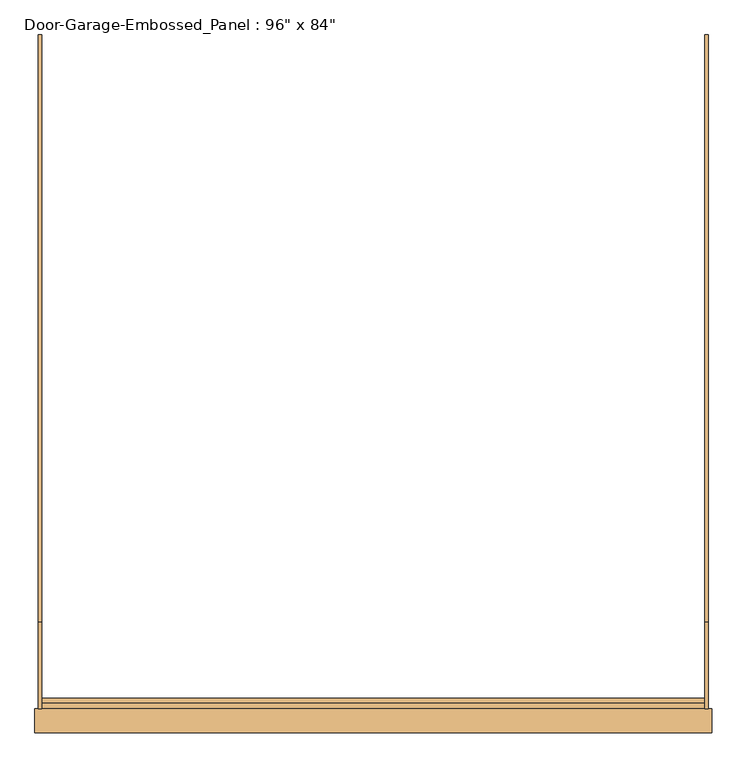
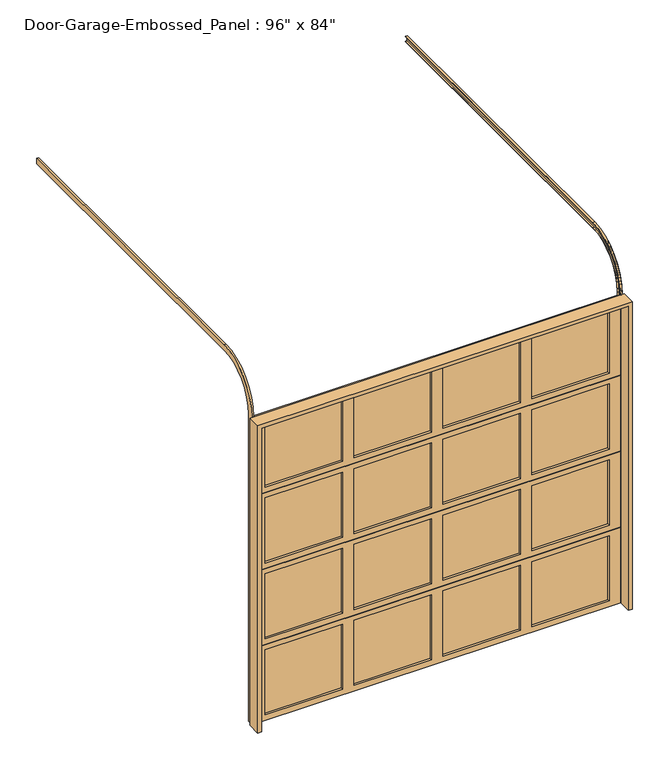
"""IFC4 building model written with IfcOpenShell, lengths in millimetres: door geometry."""

from ifc_helpers import new_model, si_unit, frame, origin, place, context, project, spatial, polyline, circle_curve, outline, extrude, faceted_brep, source, transform, mapped, element, save
from ifc_brep_helpers import plane_surface, cylinder_surface, revolved_surface, advanced_brep


def door_7cd6fed1(model_context):
    return source(origin(), model_context, "Body", "SolidModel", [
        extrude(outline(polyline([(552.45, 63.5), (38.1, 63.5), (38.1, 69.85), (552.45, 69.85), (552.45, 63.5)])), frame((0.0, 0.0, 1638.3), z_axis=(0.0, 0.0, 1.0), x_axis=(1.0, 0.0, 0.0)), (0.0, 0.0, 1.0), 457.2),
        extrude(outline(polyline([(-38.1, 63.5), (-552.45, 63.5), (-552.45, 69.85), (-38.1, 69.85), (-38.1, 63.5)])), frame((0.0, 0.0, 1638.3), z_axis=(0.0, 0.0, 1.0), x_axis=(1.0, 0.0, 0.0)), (0.0, 0.0, 1.0), 457.2),
        extrude(outline(polyline([(1143.0, 63.5), (628.65, 63.5), (628.65, 69.85), (1143.0, 69.85), (1143.0, 63.5)])), frame((0.0, 0.0, 1638.3), z_axis=(0.0, 0.0, 1.0), x_axis=(1.0, 0.0, 0.0)), (0.0, 0.0, 1.0), 457.2),
        extrude(outline(polyline([(-628.65, 63.5), (-1143.0, 63.5), (-1143.0, 69.85), (-628.65, 69.85), (-628.65, 63.5)])), frame((0.0, 0.0, 1638.3), z_axis=(0.0, 0.0, 1.0), x_axis=(1.0, 0.0, 0.0)), (0.0, 0.0, 1.0), 457.2),
        faceted_brep([(1219.2, 69.85, 2136.775), (1219.2, 69.85, 2130.425), (1219.2, 47.625, 2130.425), (1219.2, 47.625, 1600.2), (1219.2, 63.5, 1600.2), (1219.2, 63.5, 1606.55), (1219.2, 85.725, 1606.55), (1219.2, 85.725, 2136.775), (-1219.2, 85.725, 2136.775), (-1219.2, 85.725, 1606.55), (-1219.2, 63.5, 1606.55), (-1219.2, 63.5, 1600.2), (-1219.2, 47.625, 1600.2), (-1219.2, 47.625, 2130.425), (-1219.2, 69.85, 2130.425), (-1219.2, 69.85, 2136.775), (628.65, 85.725, 2095.5), (628.65, 85.725, 1638.3), (1143.0, 85.725, 1638.3), (1143.0, 85.725, 2095.5), (-552.45, 85.725, 2095.5), (-552.45, 85.725, 1638.3), (-38.1, 85.725, 1638.3), (-38.1, 85.725, 2095.5), (38.1, 85.725, 2095.5), (38.1, 85.725, 1638.3), (552.45, 85.725, 1638.3), (552.45, 85.725, 2095.5), (-1143.0, 85.725, 2095.5), (-1143.0, 85.725, 1638.3), (-628.65, 85.725, 1638.3), (-628.65, 85.725, 2095.5), (1143.0, 47.625, 2095.5), (1143.0, 47.625, 1638.3), (628.65, 47.625, 1638.3), (628.65, 47.625, 2095.5), (-38.1, 47.625, 2095.5), (-38.1, 47.625, 1638.3), (-552.45, 47.625, 1638.3), (-552.45, 47.625, 2095.5), (552.45, 47.625, 2095.5), (552.45, 47.625, 1638.3), (38.1, 47.625, 1638.3), (38.1, 47.625, 2095.5), (-628.65, 47.625, 2095.5), (-628.65, 47.625, 1638.3), (-1143.0, 47.625, 1638.3), (-1143.0, 47.625, 2095.5)], [[[0, 1, 2, 3, 4, 5, 6, 7]], [[8, 9, 10, 11, 12, 13, 14, 15]], [[7, 8, 15, 0]], [[6, 9, 8, 7], [16, 17, 18, 19], [20, 21, 22, 23], [24, 25, 26, 27], [28, 29, 30, 31]], [[5, 10, 9, 6]], [[4, 11, 10, 5]], [[3, 12, 11, 4]], [[2, 13, 12, 3], [32, 33, 34, 35], [36, 37, 38, 39], [40, 41, 42, 43], [44, 45, 46, 47]], [[1, 14, 13, 2]], [[0, 15, 14, 1]], [[16, 19, 32, 35]], [[35, 34, 17, 16]], [[34, 33, 18, 17]], [[19, 18, 33, 32]], [[20, 23, 36, 39]], [[39, 38, 21, 20]], [[38, 37, 22, 21]], [[23, 22, 37, 36]], [[24, 27, 40, 43]], [[43, 42, 25, 24]], [[42, 41, 26, 25]], [[27, 26, 41, 40]], [[28, 31, 44, 47]], [[47, 46, 29, 28]], [[46, 45, 30, 29]], [[31, 30, 45, 44]]]),
        extrude(outline(polyline([(552.45, 63.5), (38.1, 63.5), (38.1, 69.85), (552.45, 69.85), (552.45, 63.5)])), frame((0.0, 0.0, 1104.9), z_axis=(0.0, 0.0, 1.0), x_axis=(1.0, 0.0, 0.0)), (0.0, 0.0, 1.0), 457.2),
        extrude(outline(polyline([(-38.1, 63.5), (-552.45, 63.5), (-552.45, 69.85), (-38.1, 69.85), (-38.1, 63.5)])), frame((0.0, 0.0, 1104.9), z_axis=(0.0, 0.0, 1.0), x_axis=(1.0, 0.0, 0.0)), (0.0, 0.0, 1.0), 457.2),
        extrude(outline(polyline([(1143.0, 63.5), (628.65, 63.5), (628.65, 69.85), (1143.0, 69.85), (1143.0, 63.5)])), frame((0.0, 0.0, 1104.9), z_axis=(0.0, 0.0, 1.0), x_axis=(1.0, 0.0, 0.0)), (0.0, 0.0, 1.0), 457.2),
        extrude(outline(polyline([(-628.65, 63.5), (-1143.0, 63.5), (-1143.0, 69.85), (-628.65, 69.85), (-628.65, 63.5)])), frame((0.0, 0.0, 1104.9), z_axis=(0.0, 0.0, 1.0), x_axis=(1.0, 0.0, 0.0)), (0.0, 0.0, 1.0), 457.2),
        faceted_brep([(1219.2, 69.85, 1603.375), (1219.2, 69.85, 1597.025), (1219.2, 47.625, 1597.025), (1219.2, 47.625, 1066.8), (1219.2, 63.5, 1066.8), (1219.2, 63.5, 1073.15), (1219.2, 85.725, 1073.15), (1219.2, 85.725, 1603.375), (-1219.2, 85.725, 1603.375), (-1219.2, 85.725, 1073.15), (-1219.2, 63.5, 1073.15), (-1219.2, 63.5, 1066.8), (-1219.2, 47.625, 1066.8), (-1219.2, 47.625, 1597.025), (-1219.2, 69.85, 1597.025), (-1219.2, 69.85, 1603.375), (628.65, 85.725, 1562.1), (628.65, 85.725, 1104.9), (1143.0, 85.725, 1104.9), (1143.0, 85.725, 1562.1), (-552.45, 85.725, 1562.1), (-552.45, 85.725, 1104.9), (-38.1, 85.725, 1104.9), (-38.1, 85.725, 1562.1), (38.1, 85.725, 1562.1), (38.1, 85.725, 1104.9), (552.45, 85.725, 1104.9), (552.45, 85.725, 1562.1), (-1143.0, 85.725, 1562.1), (-1143.0, 85.725, 1104.9), (-628.65, 85.725, 1104.9), (-628.65, 85.725, 1562.1), (1143.0, 47.625, 1562.1), (1143.0, 47.625, 1104.9), (628.65, 47.625, 1104.9), (628.65, 47.625, 1562.1), (-38.1, 47.625, 1562.1), (-38.1, 47.625, 1104.9), (-552.45, 47.625, 1104.9), (-552.45, 47.625, 1562.1), (552.45, 47.625, 1562.1), (552.45, 47.625, 1104.9), (38.1, 47.625, 1104.9), (38.1, 47.625, 1562.1), (-628.65, 47.625, 1562.1), (-628.65, 47.625, 1104.9), (-1143.0, 47.625, 1104.9), (-1143.0, 47.625, 1562.1)], [[[0, 1, 2, 3, 4, 5, 6, 7]], [[8, 9, 10, 11, 12, 13, 14, 15]], [[7, 8, 15, 0]], [[6, 9, 8, 7], [16, 17, 18, 19], [20, 21, 22, 23], [24, 25, 26, 27], [28, 29, 30, 31]], [[5, 10, 9, 6]], [[4, 11, 10, 5]], [[3, 12, 11, 4]], [[2, 13, 12, 3], [32, 33, 34, 35], [36, 37, 38, 39], [40, 41, 42, 43], [44, 45, 46, 47]], [[1, 14, 13, 2]], [[0, 15, 14, 1]], [[16, 19, 32, 35]], [[35, 34, 17, 16]], [[34, 33, 18, 17]], [[19, 18, 33, 32]], [[20, 23, 36, 39]], [[39, 38, 21, 20]], [[38, 37, 22, 21]], [[23, 22, 37, 36]], [[24, 27, 40, 43]], [[43, 42, 25, 24]], [[42, 41, 26, 25]], [[27, 26, 41, 40]], [[28, 31, 44, 47]], [[47, 46, 29, 28]], [[46, 45, 30, 29]], [[31, 30, 45, 44]]]),
        extrude(outline(polyline([(552.45, 63.5), (38.1, 63.5), (38.1, 69.85), (552.45, 69.85), (552.45, 63.5)])), frame((0.0, 0.0, 571.5), z_axis=(0.0, 0.0, 1.0), x_axis=(1.0, 0.0, 0.0)), (0.0, 0.0, 1.0), 457.2),
        extrude(outline(polyline([(-38.1, 63.5), (-552.45, 63.5), (-552.45, 69.85), (-38.1, 69.85), (-38.1, 63.5)])), frame((0.0, 0.0, 571.5), z_axis=(0.0, 0.0, 1.0), x_axis=(1.0, 0.0, 0.0)), (0.0, 0.0, 1.0), 457.2),
        extrude(outline(polyline([(1143.0, 63.5), (628.65, 63.5), (628.65, 69.85), (1143.0, 69.85), (1143.0, 63.5)])), frame((0.0, 0.0, 571.5), z_axis=(0.0, 0.0, 1.0), x_axis=(1.0, 0.0, 0.0)), (0.0, 0.0, 1.0), 457.2),
        extrude(outline(polyline([(-628.65, 63.5), (-1143.0, 63.5), (-1143.0, 69.85), (-628.65, 69.85), (-628.65, 63.5)])), frame((0.0, 0.0, 571.5), z_axis=(0.0, 0.0, 1.0), x_axis=(1.0, 0.0, 0.0)), (0.0, 0.0, 1.0), 457.2),
        faceted_brep([(1219.2, 69.85, 1069.975), (1219.2, 69.85, 1063.625), (1219.2, 47.625, 1063.625), (1219.2, 47.625, 533.4), (1219.2, 63.5, 533.4), (1219.2, 63.5, 539.75), (1219.2, 85.725, 539.75), (1219.2, 85.725, 1069.975), (-1219.2, 85.725, 1069.975), (-1219.2, 85.725, 539.75), (-1219.2, 63.5, 539.75), (-1219.2, 63.5, 533.4), (-1219.2, 47.625, 533.4), (-1219.2, 47.625, 1063.625), (-1219.2, 69.85, 1063.625), (-1219.2, 69.85, 1069.975), (628.65, 85.725, 1028.7), (628.65, 85.725, 571.5), (1143.0, 85.725, 571.5), (1143.0, 85.725, 1028.7), (-552.45, 85.725, 1028.7), (-552.45, 85.725, 571.5), (-38.1, 85.725, 571.5), (-38.1, 85.725, 1028.7), (38.1, 85.725, 1028.7), (38.1, 85.725, 571.5), (552.45, 85.725, 571.5), (552.45, 85.725, 1028.7), (-1143.0, 85.725, 1028.7), (-1143.0, 85.725, 571.5), (-628.65, 85.725, 571.5), (-628.65, 85.725, 1028.7), (1143.0, 47.625, 1028.7), (1143.0, 47.625, 571.5), (628.65, 47.625, 571.5), (628.65, 47.625, 1028.7), (-38.1, 47.625, 1028.7), (-38.1, 47.625, 571.5), (-552.45, 47.625, 571.5), (-552.45, 47.625, 1028.7), (552.45, 47.625, 1028.7), (552.45, 47.625, 571.5), (38.1, 47.625, 571.5), (38.1, 47.625, 1028.7), (-628.65, 47.625, 1028.7), (-628.65, 47.625, 571.5), (-1143.0, 47.625, 571.5), (-1143.0, 47.625, 1028.7)], [[[0, 1, 2, 3, 4, 5, 6, 7]], [[8, 9, 10, 11, 12, 13, 14, 15]], [[7, 8, 15, 0]], [[6, 9, 8, 7], [16, 17, 18, 19], [20, 21, 22, 23], [24, 25, 26, 27], [28, 29, 30, 31]], [[5, 10, 9, 6]], [[4, 11, 10, 5]], [[3, 12, 11, 4]], [[2, 13, 12, 3], [32, 33, 34, 35], [36, 37, 38, 39], [40, 41, 42, 43], [44, 45, 46, 47]], [[1, 14, 13, 2]], [[0, 15, 14, 1]], [[16, 19, 32, 35]], [[35, 34, 17, 16]], [[34, 33, 18, 17]], [[19, 18, 33, 32]], [[20, 23, 36, 39]], [[39, 38, 21, 20]], [[38, 37, 22, 21]], [[23, 22, 37, 36]], [[24, 27, 40, 43]], [[43, 42, 25, 24]], [[42, 41, 26, 25]], [[27, 26, 41, 40]], [[28, 31, 44, 47]], [[47, 46, 29, 28]], [[46, 45, 30, 29]], [[31, 30, 45, 44]]]),
        extrude(outline(polyline([(552.45, 63.5), (38.1, 63.5), (38.1, 69.85), (552.45, 69.85), (552.45, 63.5)])), frame((0.0, 0.0, 38.1), z_axis=(0.0, 0.0, 1.0), x_axis=(1.0, 0.0, 0.0)), (0.0, 0.0, 1.0), 457.2),
        extrude(outline(polyline([(-38.1, 63.5), (-552.45, 63.5), (-552.45, 69.85), (-38.1, 69.85), (-38.1, 63.5)])), frame((0.0, 0.0, 38.1), z_axis=(0.0, 0.0, 1.0), x_axis=(1.0, 0.0, 0.0)), (0.0, 0.0, 1.0), 457.2),
        extrude(outline(polyline([(1143.0, 63.5), (628.65, 63.5), (628.65, 69.85), (1143.0, 69.85), (1143.0, 63.5)])), frame((0.0, 0.0, 38.1), z_axis=(0.0, 0.0, 1.0), x_axis=(1.0, 0.0, 0.0)), (0.0, 0.0, 1.0), 457.2),
        extrude(outline(polyline([(-628.65, 63.5), (-1143.0, 63.5), (-1143.0, 69.85), (-628.65, 69.85), (-628.65, 63.5)])), frame((0.0, 0.0, 38.1), z_axis=(0.0, 0.0, 1.0), x_axis=(1.0, 0.0, 0.0)), (0.0, 0.0, 1.0), 457.2),
        faceted_brep([(1219.2, 69.85, 536.575), (1219.2, 69.85, 530.225), (1219.2, 47.625, 530.225), (1219.2, 47.625, 0.0), (1219.2, 63.5, 0.0), (1219.2, 63.5, 6.35), (1219.2, 85.725, 6.35), (1219.2, 85.725, 536.575), (-1219.2, 85.725, 536.575), (-1219.2, 85.725, 6.35), (-1219.2, 63.5, 6.35), (-1219.2, 63.5, 0.0), (-1219.2, 47.625, 0.0), (-1219.2, 47.625, 530.225), (-1219.2, 69.85, 530.225), (-1219.2, 69.85, 536.575), (628.65, 85.725, 495.3), (628.65, 85.725, 38.1), (1143.0, 85.725, 38.1), (1143.0, 85.725, 495.3), (-552.45, 85.725, 495.3), (-552.45, 85.725, 38.1), (-38.1, 85.725, 38.1), (-38.1, 85.725, 495.3), (38.1, 85.725, 495.3), (38.1, 85.725, 38.1), (552.45, 85.725, 38.1), (552.45, 85.725, 495.3), (-1143.0, 85.725, 495.3), (-1143.0, 85.725, 38.1), (-628.65, 85.725, 38.1), (-628.65, 85.725, 495.3), (1143.0, 47.625, 495.3), (1143.0, 47.625, 38.1), (628.65, 47.625, 38.1), (628.65, 47.625, 495.3), (-38.1, 47.625, 495.3), (-38.1, 47.625, 38.1), (-552.45, 47.625, 38.1), (-552.45, 47.625, 495.3), (552.45, 47.625, 495.3), (552.45, 47.625, 38.1), (38.1, 47.625, 38.1), (38.1, 47.625, 495.3), (-628.65, 47.625, 495.3), (-628.65, 47.625, 38.1), (-1143.0, 47.625, 38.1), (-1143.0, 47.625, 495.3)], [[[0, 1, 2, 3, 4, 5, 6, 7]], [[8, 9, 10, 11, 12, 13, 14, 15]], [[7, 8, 15, 0]], [[6, 9, 8, 7], [16, 17, 18, 19], [20, 21, 22, 23], [24, 25, 26, 27], [28, 29, 30, 31]], [[5, 10, 9, 6]], [[4, 11, 10, 5]], [[3, 12, 11, 4]], [[2, 13, 12, 3], [32, 33, 34, 35], [36, 37, 38, 39], [40, 41, 42, 43], [44, 45, 46, 47]], [[1, 14, 13, 2]], [[0, 15, 14, 1]], [[16, 19, 32, 35]], [[35, 34, 17, 16]], [[34, 33, 18, 17]], [[19, 18, 33, 32]], [[20, 23, 36, 39]], [[39, 38, 21, 20]], [[38, 37, 22, 21]], [[23, 22, 37, 36]], [[24, 27, 40, 43]], [[43, 42, 25, 24]], [[42, 41, 26, 25]], [[27, 26, 41, 40]], [[28, 31, 44, 47]], [[47, 46, 29, 28]], [[46, 45, 30, 29]], [[31, 30, 45, 44]]]),
        advanced_brep(
        [(1231.9, 85.725, 0.0), (1231.9, 47.625, 0.0), (1219.2, 47.625, 0.0), (1219.2, 50.8, 0.0), (1228.725, 50.8, 0.0), (1228.725, 82.55, 0.0), (1219.2, 82.55, 0.0), (1219.2, 85.725, 0.0), (1219.2, 85.725, 2159.0), (1231.9, 85.725, 2159.0), (1219.2, 82.55, 2159.0), (1219.2, 365.125, 2441.575), (1219.2, 2524.125, 2441.575), (1219.2, 2524.125, 2438.4), (1219.2, 365.125, 2438.4), (1228.725, 82.55, 2159.0), (1228.725, 50.8, 2159.0), (1228.725, 365.125, 2473.325), (1228.725, 2524.125, 2473.325), (1228.725, 2524.125, 2441.575), (1228.725, 365.125, 2441.575), (1219.2, 50.8, 2159.0), (1219.2, 47.625, 2159.0), (1219.2, 365.125, 2476.5), (1219.2, 2524.125, 2476.5), (1219.2, 2524.125, 2473.325), (1219.2, 365.125, 2473.325), (1231.9, 47.625, 2159.0), (1231.9, 365.125, 2438.4), (1231.9, 2524.125, 2438.4), (1231.9, 2524.125, 2476.5), (1231.9, 365.125, 2476.5)],
        [
            (0, 1),
            (1, 2),
            (2, 3),
            (3, 4),
            (4, 5),
            (5, 6),
            (6, 7),
            (7, 0),
            (7, 8),
            (8, 9),
            (9, 0),
            (6, 10),
            (10, 11, circle_curve(frame((1219.2, 365.125, 2159.0), z_axis=(-1.0, 0.0, 0.0), x_axis=(0.0, -1.0, 0.0)), 282.575)),
            (11, 12),
            (12, 13),
            (13, 14),
            (14, 8, circle_curve(frame((1219.2, 365.125, 2159.0), z_axis=(1.0, 0.0, 0.0), x_axis=(0.0, -1.0, 0.0)), 279.4)),
            (5, 15),
            (15, 10),
            (4, 16),
            (16, 17, circle_curve(frame((1228.725, 365.125, 2159.0), z_axis=(-1.0, 0.0, 0.0), x_axis=(0.0, -1.0, 0.0)), 314.325)),
            (17, 18),
            (18, 19),
            (19, 20),
            (20, 15, circle_curve(frame((1228.725, 365.125, 2159.0), z_axis=(1.0, 0.0, 0.0), x_axis=(0.0, -1.0, 0.0)), 282.575)),
            (3, 21),
            (21, 16),
            (2, 22),
            (22, 23, circle_curve(frame((1219.2, 365.125, 2159.0), z_axis=(-1.0, 0.0, 0.0), x_axis=(0.0, -1.0, 0.0)), 317.5)),
            (23, 24),
            (24, 25),
            (25, 26),
            (26, 21, circle_curve(frame((1219.2, 365.125, 2159.0), z_axis=(1.0, 0.0, 0.0), x_axis=(0.0, -1.0, 0.0)), 314.325)),
            (1, 27),
            (27, 22),
            (9, 28, circle_curve(frame((1231.9, 365.125, 2159.0), z_axis=(-1.0, 0.0, 0.0), x_axis=(0.0, -1.0, 0.0)), 279.4)),
            (28, 29),
            (29, 30),
            (30, 31),
            (31, 27, circle_curve(frame((1231.9, 365.125, 2159.0), z_axis=(1.0, 0.0, 0.0), x_axis=(0.0, -1.0, 0.0)), 317.5)),
            (14, 28),
            (20, 11),
            (26, 17),
            (31, 23),
            (29, 13),
            (12, 19),
            (18, 25),
            (24, 30),
        ],
        [
            plane_surface(frame((0.0, 85.725, 0.0), z_axis=(0.0, 0.0, -1.0), x_axis=(1.0, 0.0, 0.0))),
            plane_surface(frame((1231.9, 85.725, 0.0), z_axis=(0.0, 1.0, 0.0), x_axis=(0.0, 0.0, 1.0))),
            plane_surface(frame((1219.2, 85.725, 0.0), z_axis=(-1.0, 0.0, 0.0), x_axis=(0.0, 0.0, 1.0))),
            plane_surface(frame((1219.2, 82.55, 0.0), z_axis=(0.0, -1.0, 0.0), x_axis=(0.0, 0.0, 1.0))),
            plane_surface(frame((1228.725, 82.55, 0.0), z_axis=(-1.0, 0.0, 0.0), x_axis=(0.0, 0.0, 1.0))),
            plane_surface(frame((1228.725, 50.8, 0.0), z_axis=(0.0, 1.0, 0.0), x_axis=(0.0, 0.0, 1.0))),
            plane_surface(frame((1219.2, 50.8, 0.0), z_axis=(-1.0, 0.0, 0.0), x_axis=(0.0, 0.0, 1.0))),
            plane_surface(frame((1219.2, 47.625, 0.0), z_axis=(0.0, -1.0, 0.0), x_axis=(0.0, 0.0, 1.0))),
            plane_surface(frame((1231.9, 47.625, 0.0), z_axis=(1.0, 0.0, 0.0), x_axis=(0.0, 0.0, 1.0))),
            revolved_surface(polyline([(1231.9, 85.72500000000002, 2159.0), (1219.2, 85.72500000000002, 2159.0)]), (0.0, 365.125, 2159.0), (1.0, 0.0, 0.0)),
            cylinder_surface(frame((0.0, 365.125, 2159.0), z_axis=(1.0, 0.0, 0.0), x_axis=(0.0, -1.0, 0.0)), 282.575),
            revolved_surface(polyline([(1228.725, 50.80000000000001, 2159.0), (1219.2, 50.80000000000001, 2159.0)]), (0.0, 365.125, 2159.0), (1.0, 0.0, 0.0)),
            cylinder_surface(frame((0.0, 365.125, 2159.0), z_axis=(1.0, 0.0, 0.0), x_axis=(0.0, -1.0, 0.0)), 317.5),
            plane_surface(frame((0.0, 2524.125, 2438.4), z_axis=(0.0, 1.0, 0.0), x_axis=(1.0, 0.0, 0.0))),
            plane_surface(frame((1231.9, 365.125, 2438.4), z_axis=(0.0, 0.0, -1.0), x_axis=(0.0, 1.0, 0.0))),
            plane_surface(frame((1219.2, 365.125, 2441.575), z_axis=(0.0, 0.0, 1.0), x_axis=(0.0, 1.0, 0.0))),
            plane_surface(frame((1228.725, 365.125, 2473.325), z_axis=(0.0, 0.0, -1.0), x_axis=(0.0, 1.0, 0.0))),
            plane_surface(frame((1219.2, 365.125, 2476.5), z_axis=(0.0, 0.0, 1.0), x_axis=(0.0, 1.0, 0.0))),
        ],
        [
            (0, [[1, 2, 3, 4, 5, 6, 7, 8]]),
            (1, [[9, 10, 11, -8]]),
            (2, [[12, 13, 14, 15, 16, 17, -9, -7]]),
            (3, [[18, 19, -12, -6]]),
            (4, [[20, 21, 22, 23, 24, 25, -18, -5]]),
            (5, [[26, 27, -20, -4]]),
            (6, [[28, 29, 30, 31, 32, 33, -26, -3]]),
            (7, [[34, 35, -28, -2]]),
            (8, [[-11, 36, 37, 38, 39, 40, -34, -1]]),
            (9, [[41, -36, -10, -17]]),
            (10, [[42, -13, -19, -25]]),
            (11, [[43, -21, -27, -33]]),
            (12, [[44, -29, -35, -40]]),
            (13, [[45, -15, 46, -23, 47, -31, 48, -38]]),
            (14, [[-16, -45, -37, -41]]),
            (15, [[-24, -46, -14, -42]]),
            (16, [[-32, -47, -22, -43]]),
            (17, [[-39, -48, -30, -44]]),
        ],
    ),
        advanced_brep(
        [(-1231.9, 85.725, 0.0), (-1219.2, 85.725, 0.0), (-1219.2, 82.55, 0.0), (-1228.725, 82.55, 0.0), (-1228.725, 50.8, 0.0), (-1219.2, 50.8, 0.0), (-1219.2, 47.625, 0.0), (-1231.9, 47.625, 0.0), (-1231.9, 47.625, 2159.0), (-1231.9, 365.125, 2476.5), (-1231.9, 2524.125, 2476.5), (-1231.9, 2524.125, 2438.4), (-1231.9, 365.125, 2438.4), (-1231.9, 85.725, 2159.0), (-1219.2, 47.625, 2159.0), (-1219.2, 50.8, 2159.0), (-1219.2, 365.125, 2473.325), (-1219.2, 2524.125, 2473.325), (-1219.2, 2524.125, 2476.5), (-1219.2, 365.125, 2476.5), (-1228.725, 50.8, 2159.0), (-1228.725, 82.55, 2159.0), (-1228.725, 365.125, 2441.575), (-1228.725, 2524.125, 2441.575), (-1228.725, 2524.125, 2473.325), (-1228.725, 365.125, 2473.325), (-1219.2, 82.55, 2159.0), (-1219.2, 85.725, 2159.0), (-1219.2, 365.125, 2438.4), (-1219.2, 2524.125, 2438.4), (-1219.2, 2524.125, 2441.575), (-1219.2, 365.125, 2441.575)],
        [
            (0, 1),
            (1, 2),
            (2, 3),
            (3, 4),
            (4, 5),
            (5, 6),
            (6, 7),
            (7, 0),
            (7, 8),
            (8, 9, circle_curve(frame((-1231.9, 365.125, 2159.0), z_axis=(-1.0, 0.0, 0.0), x_axis=(0.0, -1.0, 0.0)), 317.5)),
            (9, 10),
            (10, 11),
            (11, 12),
            (12, 13, circle_curve(frame((-1231.9, 365.125, 2159.0), z_axis=(1.0, 0.0, 0.0), x_axis=(0.0, -1.0, 0.0)), 279.4)),
            (13, 0),
            (6, 14),
            (14, 8),
            (5, 15),
            (15, 16, circle_curve(frame((-1219.2, 365.125, 2159.0), z_axis=(-1.0, 0.0, 0.0), x_axis=(0.0, -1.0, 0.0)), 314.325)),
            (16, 17),
            (17, 18),
            (18, 19),
            (19, 14, circle_curve(frame((-1219.2, 365.125, 2159.0), z_axis=(1.0, 0.0, 0.0), x_axis=(0.0, -1.0, 0.0)), 317.5)),
            (4, 20),
            (20, 15),
            (3, 21),
            (21, 22, circle_curve(frame((-1228.725, 365.125, 2159.0), z_axis=(-1.0, 0.0, 0.0), x_axis=(0.0, -1.0, 0.0)), 282.575)),
            (22, 23),
            (23, 24),
            (24, 25),
            (25, 20, circle_curve(frame((-1228.725, 365.125, 2159.0), z_axis=(1.0, 0.0, 0.0), x_axis=(0.0, -1.0, 0.0)), 314.325)),
            (2, 26),
            (26, 21),
            (1, 27),
            (27, 28, circle_curve(frame((-1219.2, 365.125, 2159.0), z_axis=(-1.0, 0.0, 0.0), x_axis=(0.0, -1.0, 0.0)), 279.4)),
            (28, 29),
            (29, 30),
            (30, 31),
            (31, 26, circle_curve(frame((-1219.2, 365.125, 2159.0), z_axis=(1.0, 0.0, 0.0), x_axis=(0.0, -1.0, 0.0)), 282.575)),
            (13, 27),
            (19, 9),
            (25, 16),
            (31, 22),
            (12, 28),
            (10, 18),
            (17, 24),
            (23, 30),
            (29, 11),
        ],
        [
            plane_surface(frame((0.0, 85.725, 0.0), z_axis=(0.0, 0.0, -1.0), x_axis=(1.0, 0.0, 0.0))),
            plane_surface(frame((-1231.9, 85.725, 0.0), z_axis=(-1.0, 0.0, 0.0), x_axis=(0.0, 0.0, 1.0))),
            plane_surface(frame((-1231.9, 47.625, 0.0), z_axis=(0.0, -1.0, 0.0), x_axis=(0.0, 0.0, 1.0))),
            plane_surface(frame((-1219.2, 47.625, 0.0), z_axis=(1.0, 0.0, 0.0), x_axis=(0.0, 0.0, 1.0))),
            plane_surface(frame((-1219.2, 50.8, 0.0), z_axis=(0.0, 1.0, 0.0), x_axis=(0.0, 0.0, 1.0))),
            plane_surface(frame((-1228.725, 50.8, 0.0), z_axis=(1.0, 0.0, 0.0), x_axis=(0.0, 0.0, 1.0))),
            plane_surface(frame((-1228.725, 82.55, 0.0), z_axis=(0.0, -1.0, 0.0), x_axis=(0.0, 0.0, 1.0))),
            plane_surface(frame((-1219.2, 82.55, 0.0), z_axis=(1.0, 0.0, 0.0), x_axis=(0.0, 0.0, 1.0))),
            plane_surface(frame((-1219.2, 85.725, 0.0), z_axis=(0.0, 1.0, 0.0), x_axis=(0.0, 0.0, 1.0))),
            cylinder_surface(frame((0.0, 365.125, 2159.0), z_axis=(1.0, 0.0, 0.0), x_axis=(0.0, -1.0, 0.0)), 317.5),
            revolved_surface(polyline([(-1219.2, 50.80000000000001, 2159.0), (-1228.725, 50.80000000000001, 2159.0)]), (0.0, 365.125, 2159.0), (1.0, 0.0, 0.0)),
            cylinder_surface(frame((0.0, 365.125, 2159.0), z_axis=(1.0, 0.0, 0.0), x_axis=(0.0, -1.0, 0.0)), 282.575),
            revolved_surface(polyline([(-1219.2, 85.72500000000002, 2159.0), (-1231.9, 85.72500000000002, 2159.0)]), (0.0, 365.125, 2159.0), (1.0, 0.0, 0.0)),
            plane_surface(frame((0.0, 2524.125, 2438.4), z_axis=(0.0, 1.0, 0.0), x_axis=(1.0, 0.0, 0.0))),
            plane_surface(frame((-1231.9, 365.125, 2476.5), z_axis=(0.0, 0.0, 1.0), x_axis=(0.0, 1.0, 0.0))),
            plane_surface(frame((-1219.2, 365.125, 2473.325), z_axis=(0.0, 0.0, -1.0), x_axis=(0.0, 1.0, 0.0))),
            plane_surface(frame((-1228.725, 365.125, 2441.575), z_axis=(0.0, 0.0, 1.0), x_axis=(0.0, 1.0, 0.0))),
            plane_surface(frame((-1219.2, 365.125, 2438.4), z_axis=(0.0, 0.0, -1.0), x_axis=(0.0, 1.0, 0.0))),
        ],
        [
            (0, [[1, 2, 3, 4, 5, 6, 7, 8]]),
            (1, [[9, 10, 11, 12, 13, 14, 15, -8]]),
            (2, [[16, 17, -9, -7]]),
            (3, [[18, 19, 20, 21, 22, 23, -16, -6]]),
            (4, [[24, 25, -18, -5]]),
            (5, [[26, 27, 28, 29, 30, 31, -24, -4]]),
            (6, [[32, 33, -26, -3]]),
            (7, [[34, 35, 36, 37, 38, 39, -32, -2]]),
            (8, [[-15, 40, -34, -1]]),
            (9, [[41, -10, -17, -23]]),
            (10, [[42, -19, -25, -31]]),
            (11, [[43, -27, -33, -39]]),
            (12, [[44, -35, -40, -14]]),
            (13, [[-12, 45, -21, 46, -29, 47, -37, 48]]),
            (14, [[-22, -45, -11, -41]]),
            (15, [[-30, -46, -20, -42]]),
            (16, [[-38, -47, -28, -43]]),
            (17, [[-13, -48, -36, -44]]),
        ],
    ),
        extrude(outline(polyline([(0.0, 1244.6), (2159.0, 1244.6), (2159.0, -1244.6), (0.0, -1244.6), (0.0, -1219.2), (2133.6, -1219.2), (2133.6, 1219.2), (0.0, 1219.2), (0.0, 1244.6)])), frame((0.0, -41.275, 0.0), z_axis=(0.0, 1.0, 0.0), x_axis=(0.0, 0.0, 1.0)), (0.0, 0.0, 1.0), 88.9),
    ])


if __name__ == "__main__":
    model = new_model("IFC4")
    model_context = context("Model", 3, world=origin())
    ifc_project = project(units=[si_unit("LENGTHUNIT", "METRE", prefix="MILLI")], contexts=[model_context])
    site = spatial("IfcSite", under=ifc_project)
    building = spatial("IfcBuilding", under=site)
    placement = place(None, origin())
    door_shape = door_7cd6fed1(model_context)
    element("IfcDoor", 1, ObjectType="Door-Garage-Embossed_Panel : 96\" x 84\"", at=placement, inside=building, context=model_context, shape_type="MappedRepresentation", body=[
        mapped(door_shape, transform((0.0, 0.0, 0.0), x_axis=(1.0, 0.0, 0.0), y_axis=(0.0, 1.0, 0.0), z_axis=(0.0, 0.0, 1.0))),
    ])
    save(model, "model.ifc")
